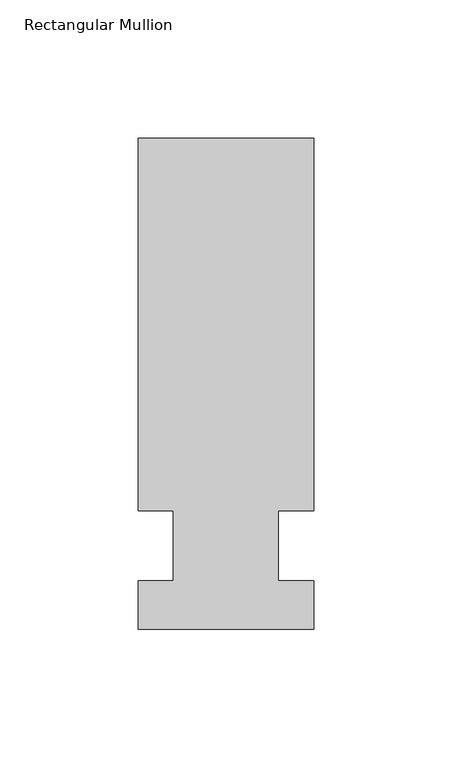
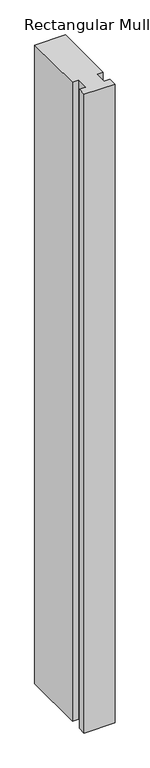
"""IFC4 building model written with IfcOpenShell, lengths in millimetres: member geometry, Rectangular Mullion."""

from ifc_helpers import new_model, si_unit, frame, origin, place, context, project, spatial, polyline, outline, extrude, source, transform, mapped, element, save


def rectangular_mullion_6dd77914(model_context):
    return source(origin(), model_context, "Body", "SweptSolid", [
        extrude(outline(polyline([(36.0844027, 147.6375), (36.0844027, 12.7), (23.3826322, 12.7), (23.3826322, -12.7), (36.0844027, -12.7), (36.0844027, -30.1625), (-27.4155973, -30.1625), (-27.4155973, -12.7), (-14.7155973, -12.7), (-14.7155973, 12.7), (-27.4155973, 12.7), (-27.4155973, 147.6375), (36.0844027, 147.6375)])), frame((0.0, 0.0, -1397.957264), z_axis=(0.0, 0.0, 1.0), x_axis=(1.0, 0.0, 0.0)), (0.0, 0.0, 1.0), 1397.957264),
    ])


if __name__ == "__main__":
    model = new_model("IFC4")
    model_context = context("Model", 3, world=origin())
    ifc_project = project(units=[si_unit("LENGTHUNIT", "METRE", prefix="MILLI")], contexts=[model_context])
    site = spatial("IfcSite", under=ifc_project)
    building = spatial("IfcBuilding", under=site)
    placement = place(None, origin())
    rectangular_mullion_shape = rectangular_mullion_6dd77914(model_context)
    element("IfcMember", 1, ObjectType="Rectangular Mullion", at=placement, inside=building, context=model_context, shape_type="MappedRepresentation", body=[
        mapped(rectangular_mullion_shape, transform((0.0, 0.0, 0.0), x_axis=(1.0, 0.0, 0.0), y_axis=(0.0, 1.0, 0.0), z_axis=(0.0, 0.0, 1.0))),
    ])
    save(model, "model.ifc")
